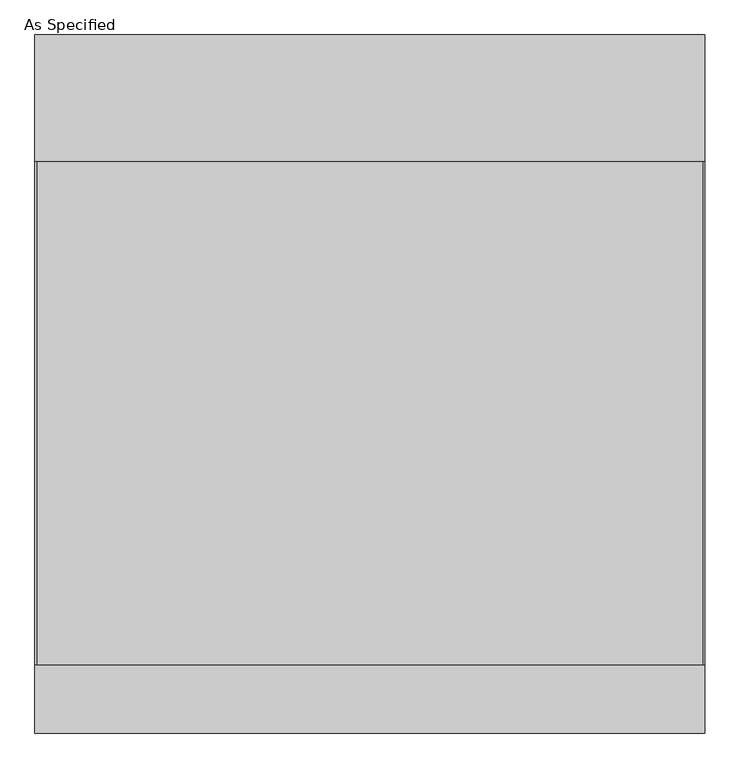
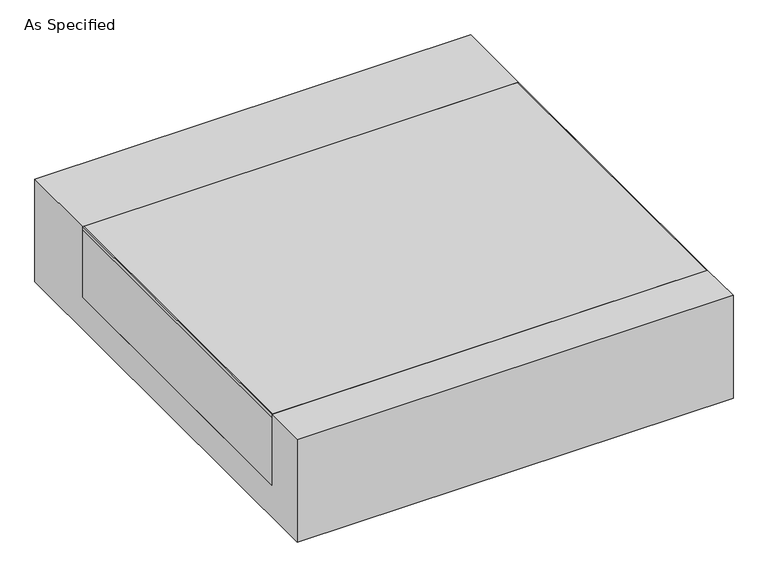
"""IFC4 building model written with IfcOpenShell, lengths in millimetres: proxy geometry, As Specified."""

from ifc_helpers import new_model, si_unit, point, frame, frame_2d, origin, place, context, project, spatial, polyline, circle_curve, trimmed, segment, composite_curve, outline, extrude, source, transform, mapped, element, save


def as_specified_091791dd(model_context):
    return source(origin(), model_context, "Body", "SweptSolid", [
        extrude(outline(composite_curve([segment(trimmed(circle_curve(frame_2d((694.4125, -1007.275)), 10.5), [point((694.4125, -1017.775))], [point((694.4125, -996.775))], False, "CARTESIAN"), True, "CONTINUOUS"), segment(trimmed(circle_curve(frame_2d((694.4125, -1007.275)), 10.5), [point((694.4125, -996.775))], [point((694.4125, -1017.775))], False, "CARTESIAN"), True, "CONTINUOUS")], self_intersect=False)), frame((0.0, 0.0, -562.225), z_axis=(0.0, 0.0, 1.0), x_axis=(1.0, 0.0, 0.0)), (0.0, 0.0, 1.0), 32.0),
        extrude(outline(polyline([(-1008.85625, -850.9), (-1014.4125, -850.9), (-1014.4125, 673.1), (-1008.85625, 673.1), (-1008.85625, -850.9)])), frame((0.0, 0.0, -39.6875), z_axis=(0.0, 0.0, 1.0), x_axis=(1.0, 0.0, 0.0)), (0.0, 0.0, 1.0), 14.2875),
        extrude(outline(polyline([(1010.44375, 673.1), (1014.4125, 673.1), (1014.4125, -850.9), (1010.44375, -850.9), (1010.44375, 673.1)])), frame((0.0, 0.0, -39.6875), z_axis=(0.0, 0.0, 1.0), x_axis=(1.0, 0.0, 0.0)), (0.0, 0.0, 1.0), 14.2875),
        extrude(outline(polyline([(1014.4125, 673.1), (1014.4125, -850.9), (-1014.4125, -850.9), (-1014.4125, 673.1), (1014.4125, 673.1)])), frame((0.0, 0.0, -373.0625), z_axis=(0.0, 0.0, 1.0), x_axis=(1.0, 0.0, 0.0)), (0.0, 0.0, 1.0), 347.6625),
        extrude(outline(polyline([(1057.275, -25.4), (1057.275, -530.225), (-1057.275, -530.225), (-1057.275, -25.4), (-850.9, -25.4), (-850.9, -373.0625), (673.1, -373.0625), (673.1, -25.4), (1057.275, -25.4)])), frame((-1014.4125, 0.0, 0.0), z_axis=(1.0, 0.0, 0.0), x_axis=(0.0, 1.0, 0.0)), (0.0, 0.0, 1.0), 2028.825),
    ])


if __name__ == "__main__":
    model = new_model("IFC4")
    model_context = context("Model", 3, world=origin())
    ifc_project = project(units=[si_unit("LENGTHUNIT", "METRE", prefix="MILLI")], contexts=[model_context])
    site = spatial("IfcSite", under=ifc_project)
    building = spatial("IfcBuilding", under=site)
    placement = place(None, origin())
    as_specified_shape = as_specified_091791dd(model_context)
    element("IfcBuildingElementProxy", 1, Name="As Specified", ObjectType="As Specified", at=placement, inside=building, context=model_context, shape_type="MappedRepresentation", body=[
        mapped(as_specified_shape, transform((0.0, 0.0, 0.0), x_axis=(1.0, 0.0, 0.0), y_axis=(0.0, 1.0, 0.0), z_axis=(0.0, 0.0, 1.0))),
    ])
    save(model, "model.ifc")
